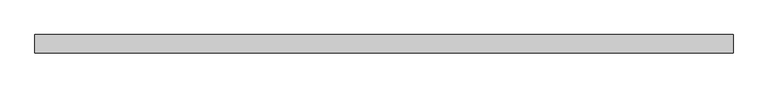
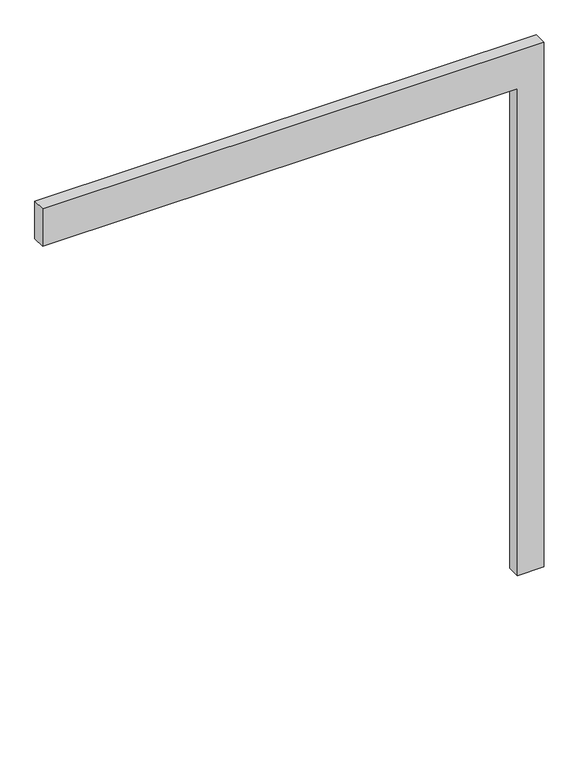
"""IFC4 building model written with IfcOpenShell, lengths in millimetres: proxy geometry."""

import ifcopenshell
import ifcopenshell.guid

model = None  # the IFC model being written
_history = None  # IfcOwnerHistory: only IFC2X3 demands one
_inside = {}  # id of a spatial element -> (the spatial element, [elements in it])
_under = {}  # id of a project, library or spatial element -> (it, [spatial elements below it])
_declared = {}  # id of a project -> (the project, [libraries it declares])
_typed = {}  # id of a type object -> (the type object, [elements of that type])
_made_of = {}  # id of a material, layer set ... -> (it, [elements and type objects made of it])


def new_model(schema):
    """Start an empty IFC model of exactly this schema.

    Asked for "IFC4X3", IfcOpenShell would pick the latest addendum, in which some entities
    have other attributes; the version numbers below select the first issue.
    IFC2X3 requires an IfcOwnerHistory on every rooted entity: one is made here for all.
    """
    global model, _history
    if schema == "IFC4X3":
        model = ifcopenshell.file(schema_version=(4, 3, 0, 0))
    else:
        model = ifcopenshell.file(schema=schema)
    _inside.clear()
    _under.clear()
    _declared.clear()
    _typed.clear()
    _made_of.clear()
    _history = None
    if model.schema == "IFC2X3":
        org = make("IfcOrganization", Name="unknown")
        user = make(
            "IfcPersonAndOrganization",
            ThePerson=make("IfcPerson", FamilyName="unknown"),
            TheOrganization=org,
        )
        app = make(
            "IfcApplication",
            ApplicationDeveloper=org,
            Version="unknown",
            ApplicationFullName="unknown",
            ApplicationIdentifier="unknown",
        )
        _history = make(
            "IfcOwnerHistory",
            OwningUser=user,
            OwningApplication=app,
            ChangeAction="ADDED",
            CreationDate=0,
        )
    return model


def make(cls, **values):
    """One entity of the class cls with the attributes given. An attribute that is None is left unset."""
    return model.create_entity(
        cls, **{name: value for name, value in values.items() if value is not None}
    )


def rooted(cls, **values):
    """An entity with a GlobalId (a new one), such as an element, a storey or a relation."""
    return make(cls, GlobalId=ifcopenshell.guid.new(), OwnerHistory=_history, **values)


def si_unit(unit_type, name, prefix=None):
    """IfcSIUnit, for example si_unit("LENGTHUNIT", "METRE", prefix="MILLI")."""
    return make("IfcSIUnit", UnitType=unit_type, Prefix=prefix, Name=name)


def assignment(units):
    """IfcUnitAssignment: the units of a project."""
    return None if units is None else make("IfcUnitAssignment", Units=units)


def point(xyz):
    """IfcCartesianPoint."""
    return None if xyz is None else make("IfcCartesianPoint", Coordinates=xyz)


def direction(xyz):
    """IfcDirection."""
    return None if xyz is None else make("IfcDirection", DirectionRatios=xyz)


def frame(location, z_axis=None, x_axis=None):
    """IfcAxis2Placement3D, a coordinate frame: its origin and axes. An axis left out is left unset."""
    return make(
        "IfcAxis2Placement3D",
        Location=point(location),
        Axis=direction(z_axis),
        RefDirection=direction(x_axis),
    )


def origin():
    """The frame at (0, 0, 0) with its axes left unset."""
    return frame((0.0, 0.0, 0.0))


def place(relative_to, where):
    """IfcLocalPlacement: puts the frame where relative to a parent placement (None: the world)."""
    return make(
        "IfcLocalPlacement", PlacementRelTo=relative_to, RelativePlacement=where
    )


def context(
    kind, dimensions, precision=None, world=None, true_north=None, identifier=None
):
    """IfcGeometricRepresentationContext, for example the 3D "Model" context."""
    return make(
        "IfcGeometricRepresentationContext",
        ContextIdentifier=identifier,
        ContextType=kind,
        CoordinateSpaceDimension=dimensions,
        Precision=precision,
        WorldCoordinateSystem=world,
        TrueNorth=true_north,
    )


def project(units=None, contexts=None):
    """IfcProject with its units and contexts."""
    return rooted(
        "IfcProject",
        Name="project",
        RepresentationContexts=contexts,
        UnitsInContext=assignment(units),
    )


def spatial(cls, under=None, at=None, **own):
    """A site, building, storey or space (cls), placed at a placement, below another one or the project."""
    s = rooted(cls, ObjectPlacement=at, **own)
    if under is not None:
        _under.setdefault(under.id(), (under, []))[1].append(s)
    return s


def polyline(points):
    """IfcPolyline through the points."""
    return make("IfcPolyline", Points=[point(p) for p in points])


def outline(outer, holes=None, kind="AREA"):
    """IfcArbitraryClosedProfileDef: a profile drawn as a closed curve; with holes, ...WithVoids."""
    if holes is None:
        return make("IfcArbitraryClosedProfileDef", ProfileType=kind, OuterCurve=outer)
    return make(
        "IfcArbitraryProfileDefWithVoids",
        ProfileType=kind,
        OuterCurve=outer,
        InnerCurves=holes,
    )


def extrude(swept, where, along, depth):
    """IfcExtrudedAreaSolid: the profile swept, set in the frame where, extruded along a direction by depth."""
    return make(
        "IfcExtrudedAreaSolid",
        SweptArea=swept,
        Position=where,
        ExtrudedDirection=direction(along),
        Depth=depth,
    )


def shape(context_of_items, identifier, shape_type, items):
    """IfcShapeRepresentation: the items that make up one representation, for example the "Body"."""
    return make(
        "IfcShapeRepresentation",
        ContextOfItems=context_of_items,
        RepresentationIdentifier=identifier,
        RepresentationType=shape_type,
        Items=items,
    )


def source(mapping_origin, context_of_items, identifier, shape_type, items):
    """IfcRepresentationMap: a shape defined once, which mapped items show again and again."""
    return make(
        "IfcRepresentationMap",
        MappingOrigin=mapping_origin,
        MappedRepresentation=shape(context_of_items, identifier, shape_type, items),
    )


def transform(
    local_origin,
    x_axis=None,
    y_axis=None,
    z_axis=None,
    scale=None,
    scale2=None,
    scale3=None,
    uniform=True,
):
    """IfcCartesianTransformationOperator3D, or its non-uniform kind. x_axis, y_axis, z_axis: its Axis1, 2, 3."""
    if uniform:
        return make(
            "IfcCartesianTransformationOperator3D",
            Axis1=direction(x_axis),
            Axis2=direction(y_axis),
            LocalOrigin=point(local_origin),
            Scale=scale,
            Axis3=direction(z_axis),
        )
    return make(
        "IfcCartesianTransformationOperator3DnonUniform",
        Axis1=direction(x_axis),
        Axis2=direction(y_axis),
        LocalOrigin=point(local_origin),
        Scale=scale,
        Axis3=direction(z_axis),
        Scale2=scale2,
        Scale3=scale3,
    )


def mapped(mapping_source, mapping_target):
    """IfcMappedItem: shows the shape of a source again, moved by a transform."""
    return make(
        "IfcMappedItem", MappingSource=mapping_source, MappingTarget=mapping_target
    )


def made_of(thing, what):
    """Note that an element or type object is made of a material, layer set ...; save() writes the relation."""
    if what is not None:
        _made_of.setdefault(what.id(), (what, []))[1].append(thing)
    return thing


def element(
    cls,
    number,
    at=None,
    inside=None,
    cuts=None,
    type_object=None,
    material=None,
    context=None,
    identifier="Body",
    shape_type=None,
    held_by="IfcProductDefinitionShape",
    body=None,
    shapes=None,
    **own,
):
    """One element of the class cls, such as IfcWall. Its Tag is "e" and its number.

    at: its placement. inside: the storey or other place that contains it. cuts: it is an
    opening in that element (IfcRelVoidsElement). A single representation is given by context,
    identifier, shape_type and body (its items); several are given by shapes. held_by: the class
    of the entity that holds the representations. save() writes the other relations.
    """
    e = rooted(cls, Tag="e%d" % number, ObjectPlacement=at, **own)
    if body is not None:
        shapes = [shape(context, identifier, shape_type, body)]
    if shapes is not None:
        e.Representation = make(held_by, Representations=shapes)
    if inside is not None:
        _inside.setdefault(inside.id(), (inside, []))[1].append(e)
    if cuts is not None:
        rooted(
            "IfcRelVoidsElement", RelatingBuildingElement=cuts, RelatedOpeningElement=e
        )
    if type_object is not None:
        _typed.setdefault(type_object.id(), (type_object, []))[1].append(e)
    return made_of(e, material)


def aggregate(whole, parts):
    """IfcRelAggregates: a whole, such as a stair, and the parts it consists of."""
    return rooted("IfcRelAggregates", RelatingObject=whole, RelatedObjects=parts)


def save(model, path):
    """Write the relations noted so far, then the file.

    IfcRelAggregates (storeys below a building ...), IfcRelContainedInSpatialStructure (elements
    in a storey), IfcRelDefinesByType, IfcRelAssociatesMaterial and IfcRelDeclares: one each for
    every whole, place, type object, material and project.
    """
    for whole, parts in _under.values():
        aggregate(whole, parts)
    for where, things in _inside.values():
        rooted(
            "IfcRelContainedInSpatialStructure",
            RelatedElements=things,
            RelatingStructure=where,
        )
    for kind, things in _typed.values():
        rooted("IfcRelDefinesByType", RelatedObjects=things, RelatingType=kind)
    for what, things in _made_of.values():
        rooted("IfcRelAssociatesMaterial", RelatedObjects=things, RelatingMaterial=what)
    for by, libraries in _declared.values():
        rooted("IfcRelDeclares", RelatingContext=by, RelatedDefinitions=libraries)
    model.write(path)


def generic_models_bc3b037d(model_context):
    return source(origin(), model_context, "Body", "SweptSolid", [
        extrude(outline(polyline([(1950.0, -1800.0), (1950.0, 0.0), (0.0, 0.0), (0.0, 100.0), (2100.0, 100.0), (2100.0, -1800.0), (1950.0, -1800.0)])), frame((0.0, -50.0, 0.0), z_axis=(0.0, 1.0, 0.0), x_axis=(0.0, 0.0, 1.0)), (0.0, 0.0, 1.0), 50.0),
    ])


if __name__ == "__main__":
    model = new_model("IFC4")
    model_context = context("Model", 3, world=origin())
    ifc_project = project(units=[si_unit("LENGTHUNIT", "METRE", prefix="MILLI")], contexts=[model_context])
    site = spatial("IfcSite", under=ifc_project)
    building = spatial("IfcBuilding", under=site)
    placement = place(None, origin())
    generic_models_shape = generic_models_bc3b037d(model_context)
    element("IfcBuildingElementProxy", 1, Name="Generic Models", at=placement, inside=building, context=model_context, shape_type="MappedRepresentation", body=[
        mapped(generic_models_shape, transform((0.0, 0.0, 0.0), x_axis=(1.0, 0.0, 0.0), y_axis=(0.0, 1.0, 0.0), z_axis=(0.0, 0.0, 1.0))),
    ])
    save(model, "model.ifc")
